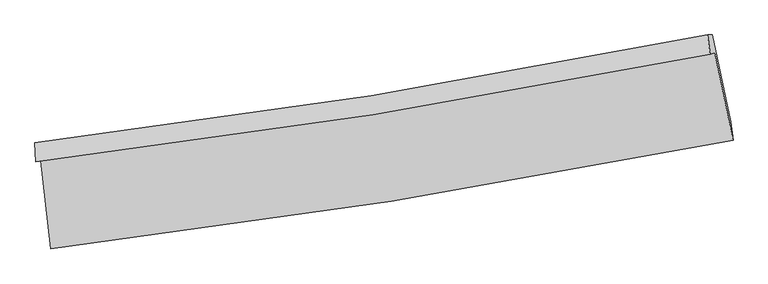
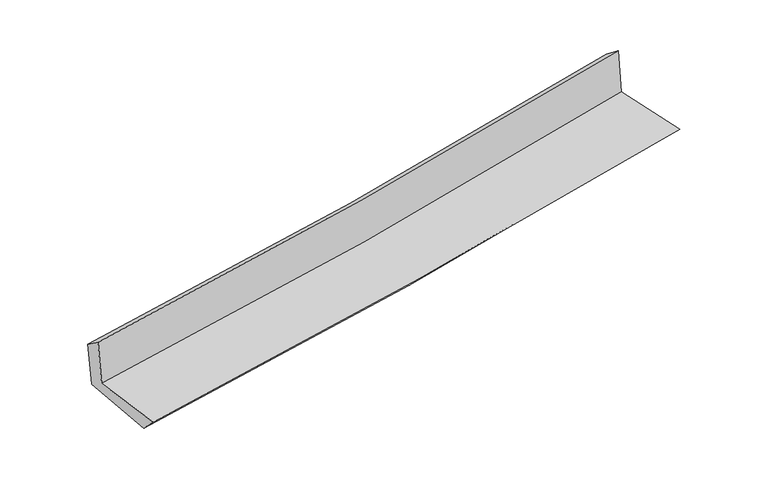
"""IFC4 building model written with IfcOpenShell, lengths in millimetres: proxy geometry."""

from ifc_helpers import new_model, si_unit, frame, origin, place, context, project, spatial, source, transform, mapped, element, save
from ifc_brep_helpers import plane_surface, spline_curve, spline_surface, advanced_brep


def generic_models_cf5694f4(model_context):
    return source(origin(), model_context, "Body", "AdvancedBrep", [
        advanced_brep(
        [(-2566.2741421, -1888.6983216, 1654.6681523), (-2490.0642315, -2552.3000165, 1665.2277775), (2655.5346165, -1733.7106481, 2117.2022184), (2517.9216492, -1075.1113239, 2118.4445586), (-2601.8034945, -1896.8801663, 2056.5369749), (2482.4378136, -1083.2826869, 2519.7985455), (-2609.5854008, -1750.4838901, 1954.7265879), (2462.8507388, -939.3292003, 2406.843091), (-2574.0473604, -1750.0726857, 1562.7163264), (2498.1410476, -938.8222653, 2024.8462946), (-2493.8631393, -2410.2404595, 1525.0964574), (2637.6100799, -1592.4872144, 1992.4556292)],
        [
            (0, 1),
            (1, 2, spline_curve(3, [(-2490.0642315, -2552.3000165, 1665.2277775), (-1631.445076226, -2448.376214724, 1742.064764559), (-775.009112386, -2328.528844997, 1818.003580114), (940.22503137, -2055.917556694, 1968.67593161), (1798.988683233, -1902.901803887, 2043.395263365), (2655.5346165, -1733.7106481, 2117.2022184)], [4, 2, 4], [0.0, 8.498176771569122, 17.063290190716344])),
            (2, 3),
            (3, 0, spline_curve(3, [(2517.9216492, -1075.1113239, 2118.4445586), (1673.055886871, -1244.435039948, 2036.989982526), (825.266556399, -1397.096671933, 1957.470612528), (-869.51089107, -1668.032925859, 1802.908606111), (-1716.453490864, -1786.566960085, 1727.835841066), (-2566.2741421, -1888.6983216, 1654.6681523)], [4, 2, 4], [0.0, 8.565113419147222, 17.063290190716344])),
            (4, 0),
            (3, 5),
            (5, 4, spline_curve(3, [(2482.4378136, -1083.2826869, 2519.7985455), (1637.285075572, -1252.672488967, 2441.589921748), (789.348997339, -1405.367914311, 2363.730401112), (-905.441439255, -1676.307159746, 2209.31531279), (-1752.252463538, -1794.810894014, 2132.7543099), (-2601.8034945, -1896.8801663, 2056.5369749)], [4, 2, 4], [0.0, 8.515684184428466, 16.96481801239986])),
            (6, 4),
            (5, 7),
            (7, 6, spline_curve(3, [(2462.8507388, -939.3292003, 2406.843091), (1620.135240294, -1108.317559505, 2326.919588424), (774.404498757, -1260.607884943, 2249.142048701), (-916.454492326, -1530.732809767, 2098.4699582), (-1761.535797113, -1648.827380978, 2025.541996969), (-2609.5854008, -1750.4838901, 1954.7265879)], [4, 2, 4], [0.0, 8.504999235888683, 16.943531618550175])),
            (8, 6),
            (7, 9),
            (9, 8, spline_curve(3, [(2498.1410476, -938.8222653, 2024.8462946), (1655.497922195, -1107.831885024, 1942.871323935), (809.824031717, -1260.140839041, 1863.231058895), (-880.952623676, -1530.29763345, 1709.224085236), (-1726.008202686, -1648.405486052, 1634.82102756), (-2574.0473604, -1750.0726857, 1562.7163264)], [4, 2, 4], [0.0, 8.494881694037167, 16.923375603774797])),
            (10, 8),
            (9, 11),
            (11, 10, spline_curve(3, [(2637.6100799, -1592.4872144, 1992.4556292), (1784.295209441, -1762.236473983, 1909.589191786), (928.32714041, -1915.459959454, 1829.06574896), (-782.205240115, -2187.787084765, 1673.315836451), (-1636.728244199, -2307.148014308, 1598.052888623), (-2493.8631393, -2410.2404595, 1525.0964574)], [4, 2, 4], [0.0, 8.544632896274159, 17.02248920094084])),
            (1, 10),
            (11, 2),
        ],
        [
            spline_surface(3, 3, [[(-2566.2741421, -1888.6983216, 1654.6681523), (-1716.453490989, -1786.566959977, 1727.835841001), (-869.510891061, -1668.032925912, 1802.908606204), (825.266556391, -1397.096671879, 1957.470612434), (1673.055886878, -1244.435040028, 2036.989982668), (2517.9216492, -1075.1113239, 2118.4445586)], [(-2540.870838546, -2109.89888656, 1658.18802735), (-1688.117352737, -2007.170044924, 1732.578815528), (-838.010298148, -1888.198232257, 1807.940264139), (863.586048037, -1616.703633542, 1961.205718876), (1715.033485716, -1463.923961324, 2039.125076215), (2563.792638314, -1294.644431955, 2118.030445188)], [(-2515.467535054, -2331.09945154, 1661.70790245), (-1659.781214547, -2227.77312989, 1737.321790105), (-806.509705247, -2108.36353854, 1812.971922052), (901.905539671, -1836.310595145, 1964.940825297), (1757.011084512, -1683.412882657, 2041.260169797), (2609.663627386, -1514.177540045, 2117.616331812)], [(-2490.0642315, -2552.3000165, 1665.2277775), (-1631.445076294, -2448.376214836, 1742.064764631), (-775.009112333, -2328.528844885, 1818.003579987), (940.225031317, -2055.917556808, 1968.675931739), (1798.98868335, -1902.901803954, 2043.395263344), (2655.5346165, -1733.7106481, 2117.2022184)]], [4, 4], [4, 2, 4], [0.0, 2.1917835294233368], [0.0, 8.498176771569122, 17.063290190716344]),
            spline_surface(3, 3, [[(-2601.8034945, -1896.8801663, 2056.5369749), (-1752.2524636, -1794.810893923, 2132.75430986), (-905.441439213, -1676.307159632, 2209.315312777), (789.348997296, -1405.367914426, 2363.730401125), (1637.285075597, -1252.672488962, 2441.589921743), (2482.4378136, -1083.2826869, 2519.7985455)], [(-2589.960377044, -1894.152884721, 1922.580700698), (-1740.31947274, -1792.062915929, 1997.781486905), (-893.464589827, -1673.549081717, 2073.846410575), (801.321516996, -1402.610833568, 2228.31047155), (1649.20867935, -1249.926672669, 2306.723275382), (2494.265758792, -1080.558899252, 2386.013883197)], [(-2578.117259556, -1891.425603179, 1788.624426502), (-1728.386481848, -1789.314937972, 1862.808663956), (-881.487740447, -1670.791003828, 1938.377508407), (813.294036691, -1399.853752737, 2092.890542009), (1661.132283125, -1247.180856321, 2171.856629029), (2506.093704008, -1077.835111548, 2252.229220903)], [(-2566.2741421, -1888.6983216, 1654.6681523), (-1716.453490989, -1786.566959977, 1727.835841001), (-869.510891061, -1668.032925912, 1802.908606204), (825.266556391, -1397.096671879, 1957.470612434), (1673.055886878, -1244.435040028, 2036.989982668), (2517.9216492, -1075.1113239, 2118.4445586)]], [4, 4], [4, 2, 4], [0.0, 1.338587309865988], [0.0, 8.449133827971394, 16.96481801239986]),
            spline_surface(3, 3, [[(-2609.5854008, -1750.4838901, 1954.7265879), (-1761.535797117, -1648.82738106, 2025.541996884), (-916.454492205, -1530.732809888, 2098.469958177), (774.404498636, -1260.607884822, 2249.142048724), (1620.13524023, -1108.317559436, 2326.919588481), (2462.8507388, -939.3292003, 2406.843091)], [(-2606.991432019, -1799.282648829, 1988.663383563), (-1758.441352597, -1697.48855201, 2061.279434539), (-912.783474547, -1579.257593142, 2135.418409711), (779.385998183, -1308.861228028, 2287.338166192), (1625.851852027, -1156.435869273, 2365.143032904), (2469.379763741, -987.313695828, 2444.49490917)], [(-2604.397463281, -1848.081407571, 2022.600179237), (-1755.34690812, -1746.149722973, 2097.016872205), (-909.112456871, -1627.782376379, 2172.366861243), (784.367497749, -1357.114571219, 2325.534283658), (1631.568463801, -1204.554179126, 2403.366477319), (2475.908788659, -1035.298191372, 2482.14672733)], [(-2601.8034945, -1896.8801663, 2056.5369749), (-1752.2524636, -1794.810893923, 2132.75430986), (-905.441439213, -1676.307159632, 2209.315312777), (789.348997296, -1405.367914426, 2363.730401125), (1637.285075597, -1252.672488962, 2441.589921743), (2482.4378136, -1083.2826869, 2519.7985455)]], [4, 4], [4, 2, 4], [0.0, 0.6045103608173579], [0.0, 8.438532382661492, 16.943531618550175]),
            spline_surface(3, 3, [[(-2574.0473604, -1750.0726857, 1562.7163264), (-1726.008202552, -1648.405485977, 1634.821027579), (-880.952623629, -1530.297633371, 1709.224085197), (809.82403167, -1260.14083912, 1863.231058934), (1655.497922057, -1107.831884883, 1942.87132402), (2498.1410476, -938.8222653, 2024.8462946)], [(-2585.893373871, -1750.209753856, 1693.386413585), (-1737.850734078, -1648.546117693, 1765.061350699), (-892.786579804, -1530.442692216, 1838.972709538), (798.017520676, -1260.296521026, 1991.868055546), (1643.710361444, -1107.99377638, 2070.887412169), (2486.37761133, -938.991243613, 2152.178560062)], [(-2597.739387329, -1750.346821944, 1824.056500715), (-1749.693265591, -1648.686749343, 1895.301673764), (-904.62053603, -1530.587751044, 1968.721333836), (786.21100963, -1260.452202916, 2120.505052113), (1631.922800843, -1108.155667939, 2198.903500331), (2474.61417507, -939.160221987, 2279.510825538)], [(-2609.5854008, -1750.4838901, 1954.7265879), (-1761.535797117, -1648.82738106, 2025.541996884), (-916.454492205, -1530.732809888, 2098.469958177), (774.404498636, -1260.607884822, 2249.142048724), (1620.13524023, -1108.317559436, 2326.919588481), (2462.8507388, -939.3292003, 2406.843091)]], [4, 4], [4, 2, 4], [0.0, 1.2768518659896688], [0.0, 8.42849390973763, 16.923375603774797]),
            spline_surface(3, 3, [[(-2493.8631393, -2410.2404595, 1525.0964574), (-1636.728244325, -2307.148014379, 1598.052888514), (-782.205240196, -2187.787084801, 1673.315836441), (928.327140491, -1915.459959418, 1829.06574897), (1784.295209438, -1762.236473955, 1909.589191646), (2637.6100799, -1592.4872144, 1992.4556292)], [(-2520.591213002, -2190.184534889, 1537.636413726), (-1666.488230403, -2087.567171567, 1610.308934861), (-815.121034689, -1968.623934327, 1685.285252674), (888.826104202, -1697.020252654, 1840.454185605), (1741.362780325, -1544.101610938, 1920.68323578), (2591.120402481, -1374.59889804, 2003.252517676)], [(-2547.319286698, -1970.128610311, 1550.176370074), (-1696.248216474, -1867.986328789, 1622.564981232), (-848.036829136, -1749.460783846, 1697.254668965), (849.325067959, -1478.580545884, 1851.842622299), (1698.430351169, -1325.9667479, 1931.777279886), (2544.630725019, -1156.71058166, 2014.049406124)], [(-2574.0473604, -1750.0726857, 1562.7163264), (-1726.008202552, -1648.405485977, 1634.821027579), (-880.952623629, -1530.297633371, 1709.224085197), (809.82403167, -1260.14083912, 1863.231058934), (1655.497922057, -1107.831884883, 1942.87132402), (2498.1410476, -938.8222653, 2024.8462946)]], [4, 4], [4, 2, 4], [0.0, 2.1858835732597206], [0.0, 8.47785630466668, 17.02248920094084]),
            spline_surface(3, 3, [[(-2490.0642315, -2552.3000165, 1665.2277775), (-1631.445076294, -2448.376214836, 1742.064764631), (-775.009112333, -2328.528844885, 1818.003579987), (940.225031317, -2055.917556808, 1968.675931739), (1798.98868335, -1902.901803954, 2043.395263344), (2655.5346165, -1733.7106481, 2117.2022184)], [(-2491.330534117, -2504.946830846, 1618.517337478), (-1633.206132322, -2401.300148029, 1694.060805937), (-777.407821622, -2281.614924832, 1769.774332147), (936.259067707, -2009.098357653, 1922.139204158), (1794.090858688, -1856.013360634, 1998.793239451), (2649.559770942, -1686.636170213, 2075.620022006)], [(-2492.596836683, -2457.593645154, 1571.806897422), (-1634.967188298, -2354.224081186, 1646.056847208), (-779.806530907, -2234.701004853, 1721.545084281), (932.293104101, -1962.279158572, 1875.602476551), (1789.1930341, -1809.124917275, 1954.191215539), (2643.584925458, -1639.561692287, 2034.037825594)], [(-2493.8631393, -2410.2404595, 1525.0964574), (-1636.728244325, -2307.148014379, 1598.052888514), (-782.205240196, -2187.787084801, 1673.315836441), (928.327140491, -1915.459959418, 1829.06574897), (1784.295209438, -1762.236473955, 1909.589191646), (2637.6100799, -1592.4872144, 1992.4556292)]], [4, 4], [4, 2, 4], [0.0, 0.6566605923591378], [0.0, 8.53693818307754, 17.141118321449355]),
            plane_surface(frame((2542.4159909, -1227.1238898, 2196.5983895), z_axis=(0.9748921579991219, 0.20353130016483906, 0.09033432417982376), x_axis=(-0.09199197068149888, -0.0013214376861887358, 0.9957588719828591))),
            plane_surface(frame((-2555.9396281, -2041.4459233, 1736.4953794), z_axis=(-0.9892927689327711, -0.1150422470479625, -0.08980589474798704), x_axis=(-0.11407868255047389, 0.9933459629135565, -0.0158067122099295))),
        ],
        [
            (0, [[1, 2, 3, 4]]),
            (1, [[5, -4, 6, 7]]),
            (2, [[8, -7, 9, 10]]),
            (3, [[11, -10, 12, 13]]),
            (4, [[14, -13, 15, 16]]),
            (5, [[17, -16, 18, -2]]),
            (6, [[-12, -9, -6, -3, -18, -15]]),
            (7, [[-1, -5, -8, -11, -14, -17]]),
        ],
    ),
    ])


if __name__ == "__main__":
    model = new_model("IFC4")
    model_context = context("Model", 3, world=origin())
    ifc_project = project(units=[si_unit("LENGTHUNIT", "METRE", prefix="MILLI")], contexts=[model_context])
    site = spatial("IfcSite", under=ifc_project)
    building = spatial("IfcBuilding", under=site)
    placement = place(None, origin())
    generic_models_shape = generic_models_cf5694f4(model_context)
    element("IfcBuildingElementProxy", 1, Name="Generic Models", at=placement, inside=building, context=model_context, shape_type="MappedRepresentation", body=[
        mapped(generic_models_shape, transform((0.0, 0.0, 0.0), x_axis=(1.0, 0.0, 0.0), y_axis=(0.0, 1.0, 0.0), z_axis=(0.0, 0.0, 1.0))),
    ])
    save(model, "model.ifc")
